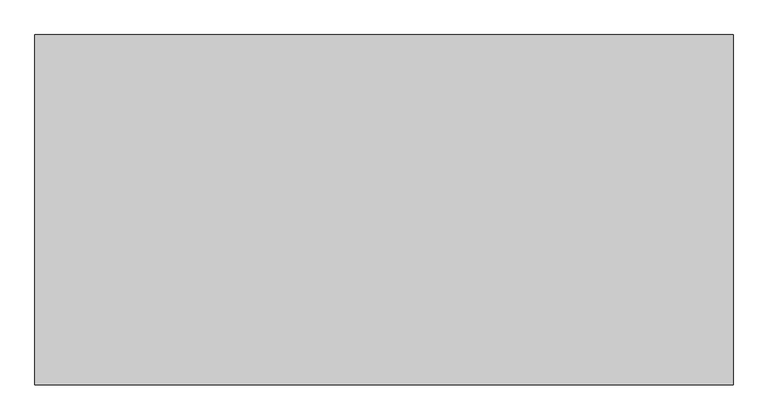
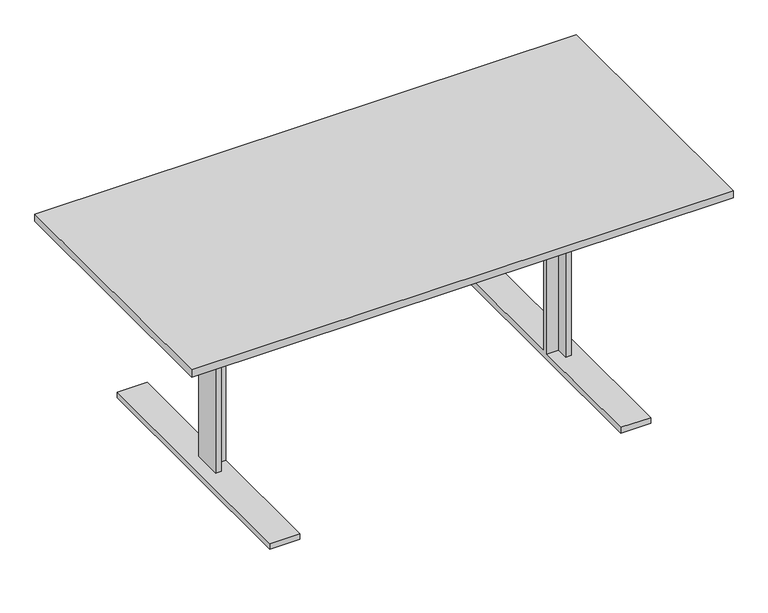
"""IFC4 building model written with IfcOpenShell, lengths in millimetres: furniture geometry."""

from ifc_helpers import new_model, si_unit, frame, origin, place, context, project, spatial, polyline, outline, extrude, faceted_brep, source, transform, mapped, element, save


def furniture_8b72e8d8(model_context):
    return source(origin(), model_context, "Body", "SolidModel", [
        faceted_brep([(-590.55, -58.3440633, 705.246875), (-571.5, -58.3440633, 705.246875), (-571.5, -17.844006, 705.246875), (571.5, -17.844006, 705.246875), (571.5, -58.3440633, 705.246875), (590.55, -58.3440633, 705.246875), (590.55, 39.661101, 705.246875), (571.5, 39.661101, 705.246875), (571.5, 1.4584592, 705.246875), (-571.5, 1.4584592, 705.246875), (-571.5, 39.661101, 705.246875), (-590.55, 39.661101, 705.246875), (-590.55, -58.3440633, 19.8859728), (-571.5, -58.3440633, 19.8859728), (-571.5, -17.844006, 19.8859728), (-533.0499487, -17.844006, 590.946875), (533.0499487, -17.844006, 590.946875), (533.0499487, -17.844006, 19.8859728), (571.5, -17.844006, 19.8859728), (-533.0499487, -17.844006, 19.8859728), (-533.0499487, 1.4584592, 590.946875), (-533.0499487, -442.1799408, 19.8859728), (-533.0499487, -442.1799408, 0.0), (-533.0499487, 434.1200592, 0.0), (-533.0499487, 434.1200592, 19.8859728), (-533.0499487, 1.4584592, 19.8859728), (533.0499487, 1.4584592, 590.946875), (-571.5, 1.4584592, 19.8859728), (571.5, 1.4584592, 19.8859728), (533.0499487, 1.4584592, 19.8859728), (-571.5, 39.661101, 19.8859728), (-590.55, 39.661101, 19.8859728), (571.5, -58.3440633, 19.8859728), (590.55, -58.3440633, 19.8859728), (533.0499487, 434.1200592, 19.8859728), (533.0499487, 434.1200592, 0.0), (533.0499487, -442.1799408, 0.0), (533.0499487, -442.1799408, 19.8859728), (571.5, 39.661101, 19.8859728), (590.55, 39.661101, 19.8859728), (-632.0500105, 434.1200592, 19.8859728), (-632.0500105, -442.1799408, 19.8859728), (-632.0500105, -442.1799408, 0.0), (-632.0500105, 434.1200592, 0.0), (632.0500105, -442.1799408, 19.8859728), (632.0500105, 434.1200592, 19.8859728), (632.0500105, 434.1200592, 0.0), (632.0500105, -442.1799408, 0.0)], [[[0, 1, 2, 3, 4, 5, 6, 7, 8, 9, 10, 11]], [[1, 0, 12, 13]], [[2, 1, 13, 14]], [[15, 16, 17, 18, 3, 2, 14, 19]], [[20, 15, 19, 21, 22, 23, 24, 25]], [[26, 20, 25, 27, 9, 8, 28, 29]], [[10, 9, 27, 30]], [[11, 10, 30, 31]], [[0, 11, 31, 12]], [[20, 26, 16, 15]], [[5, 4, 32, 33]], [[4, 3, 18, 32]], [[26, 29, 34, 35, 36, 37, 17, 16]], [[8, 7, 38, 28]], [[7, 6, 39, 38]], [[6, 5, 33, 39]], [[24, 40, 41, 21, 19, 14, 13, 12, 31, 30, 27, 25]], [[23, 22, 42, 43]], [[40, 24, 23, 43]], [[41, 40, 43, 42]], [[21, 41, 42, 22]], [[37, 44, 45, 34, 29, 28, 38, 39, 33, 32, 18, 17]], [[35, 46, 47, 36]], [[34, 45, 46, 35]], [[45, 44, 47, 46]], [[44, 37, 36, 47]]]),
        extrude(outline(polyline([(898.525, 446.8200592), (898.525, -454.8799408), (-898.525, -454.8799408), (-898.525, 446.8200592), (898.525, 446.8200592)])), frame((0.0, 0.0, 705.246875), z_axis=(0.0, 0.0, 1.0), x_axis=(1.0, 0.0, 0.0)), (0.0, 0.0, 1.0), 25.003125),
    ])


if __name__ == "__main__":
    model = new_model("IFC4")
    model_context = context("Model", 3, world=origin())
    ifc_project = project(units=[si_unit("LENGTHUNIT", "METRE", prefix="MILLI")], contexts=[model_context])
    site = spatial("IfcSite", under=ifc_project)
    building = spatial("IfcBuilding", under=site)
    placement = place(None, origin())
    furniture_shape = furniture_8b72e8d8(model_context)
    element("IfcFurniture", 1, at=placement, inside=building, context=model_context, shape_type="MappedRepresentation", body=[
        mapped(furniture_shape, transform((0.0, 0.0, 0.0), x_axis=(1.0, 0.0, 0.0), y_axis=(0.0, 1.0, 0.0), z_axis=(0.0, 0.0, 1.0))),
    ])
    save(model, "model.ifc")
